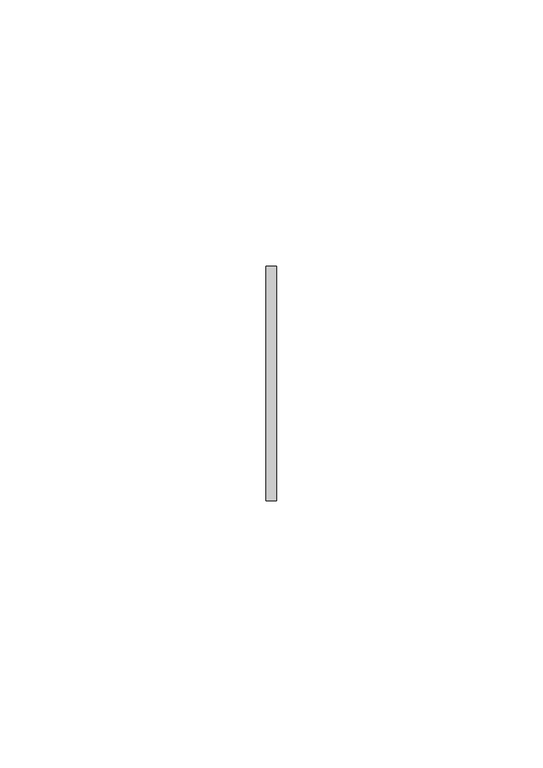
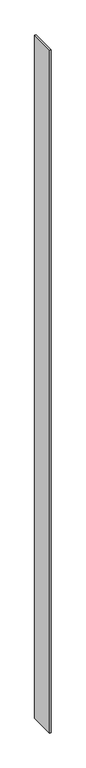
"""IFC4 building model written with IfcOpenShell, lengths in millimetres: member geometry."""

import ifcopenshell
import ifcopenshell.guid

model = None  # the IFC model being written
_history = None  # IfcOwnerHistory: only IFC2X3 demands one
_inside = {}  # id of a spatial element -> (the spatial element, [elements in it])
_under = {}  # id of a project, library or spatial element -> (it, [spatial elements below it])
_declared = {}  # id of a project -> (the project, [libraries it declares])
_typed = {}  # id of a type object -> (the type object, [elements of that type])
_made_of = {}  # id of a material, layer set ... -> (it, [elements and type objects made of it])


def new_model(schema):
    """Start an empty IFC model of exactly this schema.

    Asked for "IFC4X3", IfcOpenShell would pick the latest addendum, in which some entities
    have other attributes; the version numbers below select the first issue.
    IFC2X3 requires an IfcOwnerHistory on every rooted entity: one is made here for all.
    """
    global model, _history
    if schema == "IFC4X3":
        model = ifcopenshell.file(schema_version=(4, 3, 0, 0))
    else:
        model = ifcopenshell.file(schema=schema)
    _inside.clear()
    _under.clear()
    _declared.clear()
    _typed.clear()
    _made_of.clear()
    _history = None
    if model.schema == "IFC2X3":
        org = make("IfcOrganization", Name="unknown")
        user = make(
            "IfcPersonAndOrganization",
            ThePerson=make("IfcPerson", FamilyName="unknown"),
            TheOrganization=org,
        )
        app = make(
            "IfcApplication",
            ApplicationDeveloper=org,
            Version="unknown",
            ApplicationFullName="unknown",
            ApplicationIdentifier="unknown",
        )
        _history = make(
            "IfcOwnerHistory",
            OwningUser=user,
            OwningApplication=app,
            ChangeAction="ADDED",
            CreationDate=0,
        )
    return model


def make(cls, **values):
    """One entity of the class cls with the attributes given. An attribute that is None is left unset."""
    return model.create_entity(
        cls, **{name: value for name, value in values.items() if value is not None}
    )


def rooted(cls, **values):
    """An entity with a GlobalId (a new one), such as an element, a storey or a relation."""
    return make(cls, GlobalId=ifcopenshell.guid.new(), OwnerHistory=_history, **values)


def si_unit(unit_type, name, prefix=None):
    """IfcSIUnit, for example si_unit("LENGTHUNIT", "METRE", prefix="MILLI")."""
    return make("IfcSIUnit", UnitType=unit_type, Prefix=prefix, Name=name)


def assignment(units):
    """IfcUnitAssignment: the units of a project."""
    return None if units is None else make("IfcUnitAssignment", Units=units)


def point(xyz):
    """IfcCartesianPoint."""
    return None if xyz is None else make("IfcCartesianPoint", Coordinates=xyz)


def direction(xyz):
    """IfcDirection."""
    return None if xyz is None else make("IfcDirection", DirectionRatios=xyz)


def frame(location, z_axis=None, x_axis=None):
    """IfcAxis2Placement3D, a coordinate frame: its origin and axes. An axis left out is left unset."""
    return make(
        "IfcAxis2Placement3D",
        Location=point(location),
        Axis=direction(z_axis),
        RefDirection=direction(x_axis),
    )


def origin():
    """The frame at (0, 0, 0) with its axes left unset."""
    return frame((0.0, 0.0, 0.0))


def place(relative_to, where):
    """IfcLocalPlacement: puts the frame where relative to a parent placement (None: the world)."""
    return make(
        "IfcLocalPlacement", PlacementRelTo=relative_to, RelativePlacement=where
    )


def context(
    kind, dimensions, precision=None, world=None, true_north=None, identifier=None
):
    """IfcGeometricRepresentationContext, for example the 3D "Model" context."""
    return make(
        "IfcGeometricRepresentationContext",
        ContextIdentifier=identifier,
        ContextType=kind,
        CoordinateSpaceDimension=dimensions,
        Precision=precision,
        WorldCoordinateSystem=world,
        TrueNorth=true_north,
    )


def project(units=None, contexts=None):
    """IfcProject with its units and contexts."""
    return rooted(
        "IfcProject",
        Name="project",
        RepresentationContexts=contexts,
        UnitsInContext=assignment(units),
    )


def spatial(cls, under=None, at=None, **own):
    """A site, building, storey or space (cls), placed at a placement, below another one or the project."""
    s = rooted(cls, ObjectPlacement=at, **own)
    if under is not None:
        _under.setdefault(under.id(), (under, []))[1].append(s)
    return s


def polyline(points):
    """IfcPolyline through the points."""
    return make("IfcPolyline", Points=[point(p) for p in points])


def outline(outer, holes=None, kind="AREA"):
    """IfcArbitraryClosedProfileDef: a profile drawn as a closed curve; with holes, ...WithVoids."""
    if holes is None:
        return make("IfcArbitraryClosedProfileDef", ProfileType=kind, OuterCurve=outer)
    return make(
        "IfcArbitraryProfileDefWithVoids",
        ProfileType=kind,
        OuterCurve=outer,
        InnerCurves=holes,
    )


def extrude(swept, where, along, depth):
    """IfcExtrudedAreaSolid: the profile swept, set in the frame where, extruded along a direction by depth."""
    return make(
        "IfcExtrudedAreaSolid",
        SweptArea=swept,
        Position=where,
        ExtrudedDirection=direction(along),
        Depth=depth,
    )


def shape(context_of_items, identifier, shape_type, items):
    """IfcShapeRepresentation: the items that make up one representation, for example the "Body"."""
    return make(
        "IfcShapeRepresentation",
        ContextOfItems=context_of_items,
        RepresentationIdentifier=identifier,
        RepresentationType=shape_type,
        Items=items,
    )


def source(mapping_origin, context_of_items, identifier, shape_type, items):
    """IfcRepresentationMap: a shape defined once, which mapped items show again and again."""
    return make(
        "IfcRepresentationMap",
        MappingOrigin=mapping_origin,
        MappedRepresentation=shape(context_of_items, identifier, shape_type, items),
    )


def transform(
    local_origin,
    x_axis=None,
    y_axis=None,
    z_axis=None,
    scale=None,
    scale2=None,
    scale3=None,
    uniform=True,
):
    """IfcCartesianTransformationOperator3D, or its non-uniform kind. x_axis, y_axis, z_axis: its Axis1, 2, 3."""
    if uniform:
        return make(
            "IfcCartesianTransformationOperator3D",
            Axis1=direction(x_axis),
            Axis2=direction(y_axis),
            LocalOrigin=point(local_origin),
            Scale=scale,
            Axis3=direction(z_axis),
        )
    return make(
        "IfcCartesianTransformationOperator3DnonUniform",
        Axis1=direction(x_axis),
        Axis2=direction(y_axis),
        LocalOrigin=point(local_origin),
        Scale=scale,
        Axis3=direction(z_axis),
        Scale2=scale2,
        Scale3=scale3,
    )


def mapped(mapping_source, mapping_target):
    """IfcMappedItem: shows the shape of a source again, moved by a transform."""
    return make(
        "IfcMappedItem", MappingSource=mapping_source, MappingTarget=mapping_target
    )


def made_of(thing, what):
    """Note that an element or type object is made of a material, layer set ...; save() writes the relation."""
    if what is not None:
        _made_of.setdefault(what.id(), (what, []))[1].append(thing)
    return thing


def element(
    cls,
    number,
    at=None,
    inside=None,
    cuts=None,
    type_object=None,
    material=None,
    context=None,
    identifier="Body",
    shape_type=None,
    held_by="IfcProductDefinitionShape",
    body=None,
    shapes=None,
    **own,
):
    """One element of the class cls, such as IfcWall. Its Tag is "e" and its number.

    at: its placement. inside: the storey or other place that contains it. cuts: it is an
    opening in that element (IfcRelVoidsElement). A single representation is given by context,
    identifier, shape_type and body (its items); several are given by shapes. held_by: the class
    of the entity that holds the representations. save() writes the other relations.
    """
    e = rooted(cls, Tag="e%d" % number, ObjectPlacement=at, **own)
    if body is not None:
        shapes = [shape(context, identifier, shape_type, body)]
    if shapes is not None:
        e.Representation = make(held_by, Representations=shapes)
    if inside is not None:
        _inside.setdefault(inside.id(), (inside, []))[1].append(e)
    if cuts is not None:
        rooted(
            "IfcRelVoidsElement", RelatingBuildingElement=cuts, RelatedOpeningElement=e
        )
    if type_object is not None:
        _typed.setdefault(type_object.id(), (type_object, []))[1].append(e)
    return made_of(e, material)


def aggregate(whole, parts):
    """IfcRelAggregates: a whole, such as a stair, and the parts it consists of."""
    return rooted("IfcRelAggregates", RelatingObject=whole, RelatedObjects=parts)


def save(model, path):
    """Write the relations noted so far, then the file.

    IfcRelAggregates (storeys below a building ...), IfcRelContainedInSpatialStructure (elements
    in a storey), IfcRelDefinesByType, IfcRelAssociatesMaterial and IfcRelDeclares: one each for
    every whole, place, type object, material and project.
    """
    for whole, parts in _under.values():
        aggregate(whole, parts)
    for where, things in _inside.values():
        rooted(
            "IfcRelContainedInSpatialStructure",
            RelatedElements=things,
            RelatingStructure=where,
        )
    for kind, things in _typed.values():
        rooted("IfcRelDefinesByType", RelatedObjects=things, RelatingType=kind)
    for what, things in _made_of.values():
        rooted("IfcRelAssociatesMaterial", RelatedObjects=things, RelatingMaterial=what)
    for by, libraries in _declared.values():
        rooted("IfcRelDeclares", RelatingContext=by, RelatedDefinitions=libraries)
    model.write(path)


def member_5f7379ef(model_context):
    return source(origin(), model_context, "Body", "SweptSolid", [
        extrude(outline(polyline([(1.0, 22.0), (1.0, -22.0), (-1.0, -22.0), (-1.0, 22.0), (1.0, 22.0)])), frame((0.0, 0.0, -1218.0), z_axis=(0.0, 0.0, 1.0), x_axis=(1.0, 0.0, 0.0)), (0.0, 0.0, 1.0), 1218.0),
    ])


if __name__ == "__main__":
    model = new_model("IFC4")
    model_context = context("Model", 3, world=origin())
    ifc_project = project(units=[si_unit("LENGTHUNIT", "METRE", prefix="MILLI")], contexts=[model_context])
    site = spatial("IfcSite", under=ifc_project)
    building = spatial("IfcBuilding", under=site)
    placement = place(None, origin())
    member_shape = member_5f7379ef(model_context)
    element("IfcMember", 1, at=placement, inside=building, context=model_context, shape_type="MappedRepresentation", body=[
        mapped(member_shape, transform((0.0, 0.0, 0.0), x_axis=(1.0, 0.0, 0.0), y_axis=(0.0, 1.0, 0.0), z_axis=(0.0, 0.0, 1.0))),
    ])
    save(model, "model.ifc")
